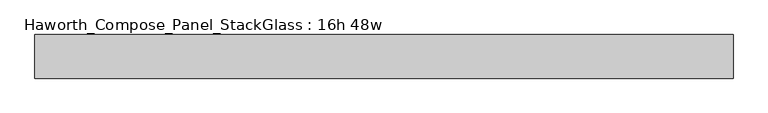
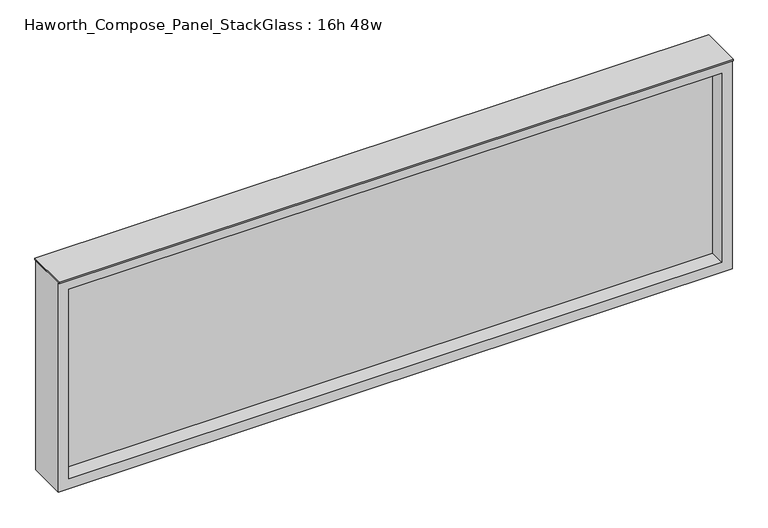
"""IFC4 building model written with IfcOpenShell, lengths in millimetres: furniture geometry, Haworth_Compose_Panel_StackGlass : 16h 48w."""

from ifc_helpers import new_model, si_unit, frame, origin, place, context, project, spatial, polyline, outline, extrude, source, transform, mapped, element, save


def haworth_compose_panel_stackglass_16h_48w_2538487b(model_context):
    return source(origin(), model_context, "Body", "SweptSolid", [
        extrude(outline(polyline([(592.9902902, -6.35), (-588.1097098, -6.35), (-588.1097098, 6.35), (592.9902902, 6.35), (592.9902902, -6.35)])), frame((0.0, 0.0, 1085.85), z_axis=(0.0, 0.0, 1.0), x_axis=(1.0, 0.0, 0.0)), (0.0, 0.0, 1.0), 361.95),
        extrude(outline(polyline([(1466.85, -607.1597098), (1066.8, -607.1597098), (1066.8, 612.0402902), (1466.85, 612.0402902), (1466.85, -607.1597098)]), holes=[polyline([(1447.8, 592.9902902), (1085.85, 592.9902902), (1085.85, -588.1097098), (1447.8, -588.1097098), (1447.8, 592.9902902)])]), frame((0.0, -34.925, 0.0), z_axis=(0.0, 1.0, 0.0), x_axis=(0.0, 0.0, 1.0)), (0.0, 0.0, 1.0), 69.85),
        extrude(outline(polyline([(-607.1597098, -38.1), (-607.1597098, 38.1), (612.0402902, 38.1), (612.0402902, -38.1), (-607.1597098, -38.1)])), frame((0.0, 0.0, 1466.85), z_axis=(0.0, 0.0, 1.0), x_axis=(1.0, 0.0, 0.0)), (0.0, 0.0, 1.0), 3.175),
    ])


if __name__ == "__main__":
    model = new_model("IFC4")
    model_context = context("Model", 3, world=origin())
    ifc_project = project(units=[si_unit("LENGTHUNIT", "METRE", prefix="MILLI")], contexts=[model_context])
    site = spatial("IfcSite", under=ifc_project)
    building = spatial("IfcBuilding", under=site)
    placement = place(None, origin())
    haworth_compose_panel_stackglass_16h_48w_shape = haworth_compose_panel_stackglass_16h_48w_2538487b(model_context)
    element("IfcFurniture", 1, ObjectType="Haworth_Compose_Panel_StackGlass : 16h 48w", at=placement, inside=building, context=model_context, shape_type="MappedRepresentation", body=[
        mapped(haworth_compose_panel_stackglass_16h_48w_shape, transform((0.0, 0.0, 0.0), x_axis=(1.0, 0.0, 0.0), y_axis=(0.0, 1.0, 0.0), z_axis=(0.0, 0.0, 1.0))),
    ])
    save(model, "model.ifc")
